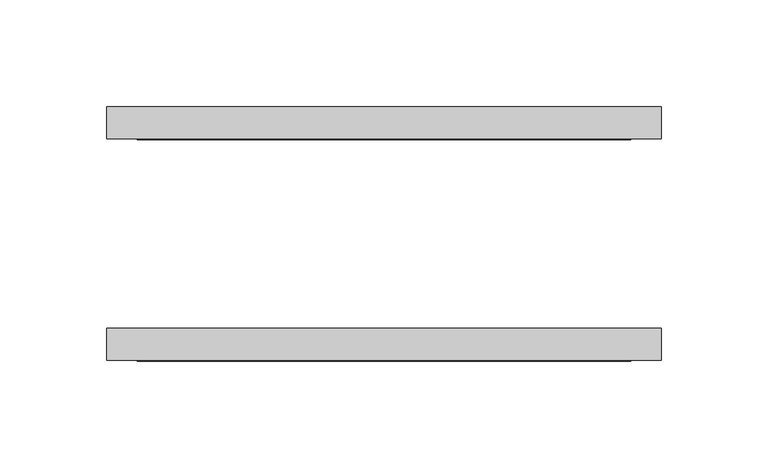
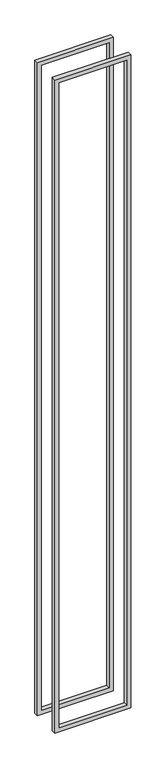
"""IFC4 building model written with IfcOpenShell, lengths in millimetres: proxy geometry."""

from ifc_helpers import new_model, si_unit, frame, origin, place, context, project, spatial, polyline, outline, extrude, source, transform, mapped, element, save


def generic_models_bf8fc0d8(model_context):
    return source(origin(), model_context, "Body", "SweptSolid", [
        extrude(outline(polyline([(2392.3625, -649.2875), (26.9875, -649.2875), (26.9875, -388.9375), (2392.3625, -388.9375), (2392.3625, -649.2875)]), holes=[polyline([(2378.075, -403.225), (41.275, -403.225), (41.275, -635.0), (2378.075, -635.0), (2378.075, -403.225)])]), frame((0.0, -59.53125, 0.0), z_axis=(0.0, 1.0, 0.0), x_axis=(0.0, 0.0, 1.0)), (0.0, 0.0, 1.0), 15.08125),
        extrude(outline(polyline([(26.9875, -388.9375), (2392.3625, -388.9375), (2392.3625, -649.2875), (26.9875, -649.2875), (26.9875, -388.9375)]), holes=[polyline([(41.275, -635.0), (2378.075, -635.0), (2378.075, -403.225), (41.275, -403.225), (41.275, -635.0)])]), frame((0.0, 44.45, 0.0), z_axis=(0.0, 1.0, 0.0), x_axis=(0.0, 0.0, 1.0)), (0.0, 0.0, 1.0), 15.08125),
    ])


if __name__ == "__main__":
    model = new_model("IFC4")
    model_context = context("Model", 3, world=origin())
    ifc_project = project(units=[si_unit("LENGTHUNIT", "METRE", prefix="MILLI")], contexts=[model_context])
    site = spatial("IfcSite", under=ifc_project)
    building = spatial("IfcBuilding", under=site)
    placement = place(None, origin())
    generic_models_shape = generic_models_bf8fc0d8(model_context)
    element("IfcBuildingElementProxy", 1, Name="Generic Models", at=placement, inside=building, context=model_context, shape_type="MappedRepresentation", body=[
        mapped(generic_models_shape, transform((0.0, 0.0, 0.0), x_axis=(1.0, 0.0, 0.0), y_axis=(0.0, 1.0, 0.0), z_axis=(0.0, 0.0, 1.0))),
    ])
    save(model, "model.ifc")
